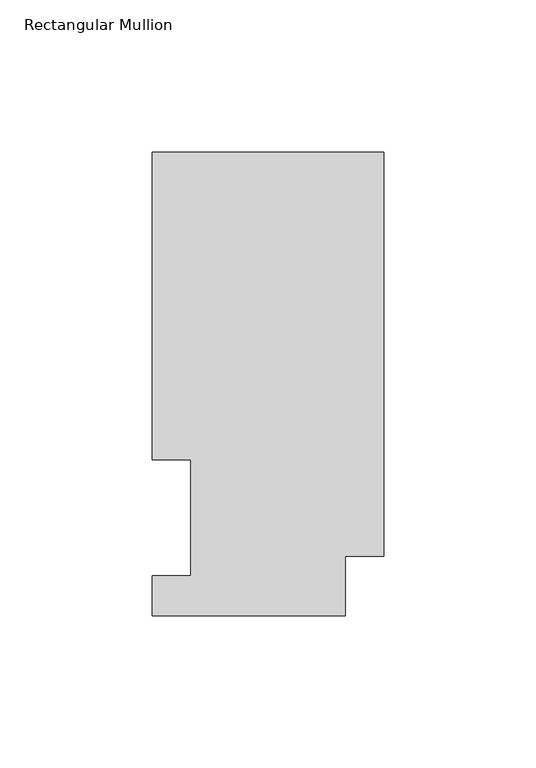
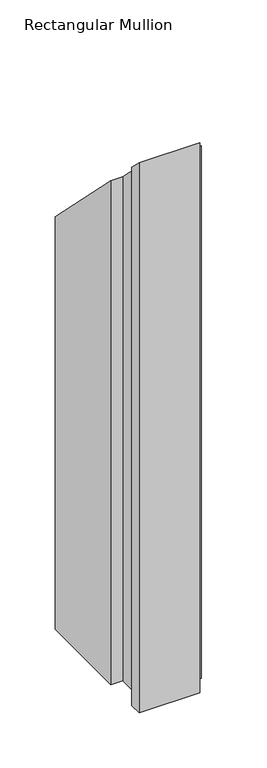
"""IFC4 building model written with IfcOpenShell, lengths in millimetres: member geometry, Rectangular Mullion."""

from ifc_helpers import new_model, si_unit, origin, place, context, project, spatial, faceted_brep, source, transform, mapped, element, save


def rectangular_mullion_b440a06d(model_context):
    return source(origin(), model_context, "Body", "Brep", [
        faceted_brep([(-76.2, 152.4896938, -609.6), (0.0, 152.4896938, -609.6), (0.0, 19.5460937, -609.6), (-12.7, 19.5460937, -609.6), (-12.7, 0.0134938, -609.6), (-76.2, 0.0134938, -609.6), (-76.2, 13.1960938, -609.6), (-63.5127, 13.1960938, -609.6), (-63.5127, 51.2960938, -609.6), (-76.2, 51.2960938, -609.6), (-76.2, 51.2960938, -51.2960937), (-76.2, 152.4896938, -152.4896937), (-63.5127, 51.2960938, -51.2960937), (-63.5127, 13.1960938, -13.1960938), (-76.2, 13.1960938, -13.1960938), (-76.2, 0.0134938, -0.0134938), (-12.7, 0.0134938, -0.0134938), (-12.7, 19.5460937, -19.5460937), (0.0, 19.5460937, -19.5460937), (0.0, 152.4896938, -152.4896937)], [[[0, 1, 2, 3, 4, 5, 6, 7, 8, 9]], [[10, 11, 0, 9]], [[12, 10, 9, 8]], [[13, 12, 8, 7]], [[14, 13, 7, 6]], [[15, 14, 6, 5]], [[16, 15, 5, 4]], [[17, 16, 4, 3]], [[18, 17, 3, 2]], [[19, 18, 2, 1]], [[11, 19, 1, 0]], [[11, 10, 12, 13, 14, 15, 16, 17, 18, 19]]]),
    ])


if __name__ == "__main__":
    model = new_model("IFC4")
    model_context = context("Model", 3, world=origin())
    ifc_project = project(units=[si_unit("LENGTHUNIT", "METRE", prefix="MILLI")], contexts=[model_context])
    site = spatial("IfcSite", under=ifc_project)
    building = spatial("IfcBuilding", under=site)
    placement = place(None, origin())
    rectangular_mullion_shape = rectangular_mullion_b440a06d(model_context)
    element("IfcMember", 1, ObjectType="Rectangular Mullion", at=placement, inside=building, context=model_context, shape_type="MappedRepresentation", body=[
        mapped(rectangular_mullion_shape, transform((0.0, 0.0, 0.0), x_axis=(1.0, 0.0, 0.0), y_axis=(0.0, 1.0, 0.0), z_axis=(0.0, 0.0, 1.0))),
    ])
    save(model, "model.ifc")
